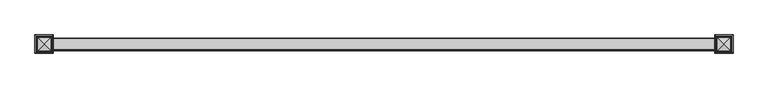
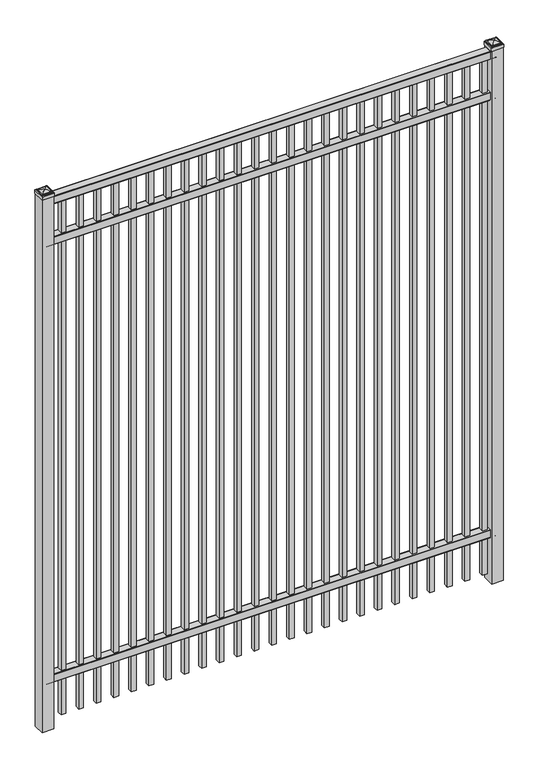
"""IFC4 building model written with IfcOpenShell, lengths in millimetres: railing geometry."""

from ifc_helpers import new_model, si_unit, point, frame, frame_2d, origin, origin_with_axes, place, context, project, spatial, polyline, circle_curve, ellipse_curve, trimmed, segment, composite_curve, outline, extrude, source, transform, mapped, element, save
from ifc_brep_helpers import plane_surface, cylinder_surface, advanced_brep


def railing_28603623(model_context):
    return source(origin(), model_context, "Body", "SolidModel", [
        extrude(outline(composite_curve([segment(polyline([(4253.9139761, 304.8), (4291.969541, 304.8)]), True, "CONTINUOUS"), segment(trimmed(circle_curve(frame_2d((4291.969541, 301.625)), 3.175), [point((4291.969541, 304.8))], [point((4295.144541, 301.625))], False, "CARTESIAN"), True, "CONTINUOUS"), segment(polyline([(4295.144541, 301.625), (4295.144541, 262.1439893)]), True, "CONTINUOUS"), segment(trimmed(circle_curve(frame_2d((4293.3505518, 262.1439893)), 1.7939893), [point((4295.144541, 262.1439893))], [point((4293.3505518, 260.35))], False, "CARTESIAN"), True, "CONTINUOUS"), segment(polyline([(4293.3505518, 260.35), (4290.7590713, 260.35)]), True, "CONTINUOUS"), segment(trimmed(circle_curve(frame_2d((4290.7590713, 262.1359375)), 1.7859375), [point((4290.7590713, 260.35))], [point((4288.9755813, 262.0424688))], False, "CARTESIAN"), True, "CONTINUOUS"), segment(polyline([(4288.9755813, 262.0424688), (4287.4025867, 292.0569942), (4258.4364954, 292.0569942), (4256.8635007, 262.0424688)]), True, "CONTINUOUS"), segment(trimmed(circle_curve(frame_2d((4255.0800108, 262.1359375)), 1.7859375), [point((4256.8635007, 262.0424688))], [point((4255.0800108, 260.35))], False, "CARTESIAN"), True, "CONTINUOUS"), segment(polyline([(4255.0800108, 260.35), (4252.4804785, 260.35)]), True, "CONTINUOUS"), segment(trimmed(circle_curve(frame_2d((4252.4804785, 262.1359375)), 1.7859375), [point((4252.4804785, 260.35))], [point((4250.694541, 262.1359375))], False, "CARTESIAN"), True, "CONTINUOUS"), segment(polyline([(4250.694541, 262.1359375), (4250.694541, 301.5805649)]), True, "CONTINUOUS"), segment(trimmed(circle_curve(frame_2d((4253.9139761, 301.5805649)), 3.2194351), [point((4250.694541, 301.5805649))], [point((4253.9139761, 304.8))], False, "CARTESIAN"), True, "CONTINUOUS")], self_intersect=False)), frame((-10765.0649936, 0.0, 0.0), z_axis=(1.0, 0.0, 0.0), x_axis=(0.0, 1.0, 0.0)), (0.0, 0.0, 1.0), 2438.4),
        extrude(outline(composite_curve([segment(polyline([(4253.9139761, 2814.6375), (4291.969541, 2814.6375)]), True, "CONTINUOUS"), segment(trimmed(circle_curve(frame_2d((4291.969541, 2811.4625)), 3.175), [point((4291.969541, 2814.6375))], [point((4295.144541, 2811.4625))], False, "CARTESIAN"), True, "CONTINUOUS"), segment(polyline([(4295.144541, 2811.4625), (4295.144541, 2771.9814893)]), True, "CONTINUOUS"), segment(trimmed(circle_curve(frame_2d((4293.3505518, 2771.9814893)), 1.7939893), [point((4295.144541, 2771.9814893))], [point((4293.3505518, 2770.1875))], False, "CARTESIAN"), True, "CONTINUOUS"), segment(polyline([(4293.3505518, 2770.1875), (4290.7590713, 2770.1875)]), True, "CONTINUOUS"), segment(trimmed(circle_curve(frame_2d((4290.7590713, 2771.9734375)), 1.7859375), [point((4290.7590713, 2770.1875))], [point((4288.9755813, 2771.8799688))], False, "CARTESIAN"), True, "CONTINUOUS"), segment(polyline([(4288.9755813, 2771.8799688), (4287.4025867, 2801.8944942), (4258.4364954, 2801.8944942), (4256.8635007, 2771.8799688)]), True, "CONTINUOUS"), segment(trimmed(circle_curve(frame_2d((4255.0800108, 2771.9734375)), 1.7859375), [point((4256.8635007, 2771.8799688))], [point((4255.0800108, 2770.1875))], False, "CARTESIAN"), True, "CONTINUOUS"), segment(polyline([(4255.0800108, 2770.1875), (4252.4804785, 2770.1875)]), True, "CONTINUOUS"), segment(trimmed(circle_curve(frame_2d((4252.4804785, 2771.9734375)), 1.7859375), [point((4252.4804785, 2770.1875))], [point((4250.694541, 2771.9734375))], False, "CARTESIAN"), True, "CONTINUOUS"), segment(polyline([(4250.694541, 2771.9734375), (4250.694541, 2811.4180649)]), True, "CONTINUOUS"), segment(trimmed(circle_curve(frame_2d((4253.9139761, 2811.4180649)), 3.2194351), [point((4250.694541, 2811.4180649))], [point((4253.9139761, 2814.6375))], False, "CARTESIAN"), True, "CONTINUOUS")], self_intersect=False)), frame((-10765.0649936, 0.0, 0.0), z_axis=(1.0, 0.0, 0.0), x_axis=(0.0, 1.0, 0.0)), (0.0, 0.0, 1.0), 2438.4),
        extrude(outline(composite_curve([segment(polyline([(4253.9139761, 3048.0), (4291.969541, 3048.0)]), True, "CONTINUOUS"), segment(trimmed(circle_curve(frame_2d((4291.969541, 3044.825)), 3.175), [point((4291.969541, 3048.0))], [point((4295.144541, 3044.825))], False, "CARTESIAN"), True, "CONTINUOUS"), segment(polyline([(4295.144541, 3044.825), (4295.144541, 3005.3439893)]), True, "CONTINUOUS"), segment(trimmed(circle_curve(frame_2d((4293.3505518, 3005.3439893)), 1.7939893), [point((4295.144541, 3005.3439893))], [point((4293.3505518, 3003.55))], False, "CARTESIAN"), True, "CONTINUOUS"), segment(polyline([(4293.3505518, 3003.55), (4290.7590713, 3003.55)]), True, "CONTINUOUS"), segment(trimmed(circle_curve(frame_2d((4290.7590713, 3005.3359375)), 1.7859375), [point((4290.7590713, 3003.55))], [point((4288.9755813, 3005.2424688))], False, "CARTESIAN"), True, "CONTINUOUS"), segment(polyline([(4288.9755813, 3005.2424688), (4287.4025867, 3035.2569942), (4258.4364954, 3035.2569942), (4256.8635007, 3005.2424688)]), True, "CONTINUOUS"), segment(trimmed(circle_curve(frame_2d((4255.0800108, 3005.3359375)), 1.7859375), [point((4256.8635007, 3005.2424688))], [point((4255.0800108, 3003.55))], False, "CARTESIAN"), True, "CONTINUOUS"), segment(polyline([(4255.0800108, 3003.55), (4252.4804785, 3003.55)]), True, "CONTINUOUS"), segment(trimmed(circle_curve(frame_2d((4252.4804785, 3005.3359375)), 1.7859375), [point((4252.4804785, 3003.55))], [point((4250.694541, 3005.3359375))], False, "CARTESIAN"), True, "CONTINUOUS"), segment(polyline([(4250.694541, 3005.3359375), (4250.694541, 3044.7805649)]), True, "CONTINUOUS"), segment(trimmed(circle_curve(frame_2d((4253.9139761, 3044.7805649)), 3.2194351), [point((4250.694541, 3044.7805649))], [point((4253.9139761, 3048.0))], False, "CARTESIAN"), True, "CONTINUOUS")], self_intersect=False)), frame((-10765.0649936, 0.0, 0.0), z_axis=(1.0, 0.0, 0.0), x_axis=(0.0, 1.0, 0.0)), (0.0, 0.0, 1.0), 2438.4),
        extrude(outline(polyline([(0.0, -2952.75), (0.0, 0.0), (25.4, 0.0), (25.4, -2952.75), (0.0, -2952.75)])), frame((-8371.1149864, 4285.619541, 3003.55), z_axis=(-1.0, 0.0, 1.4053472163766405e-09), x_axis=(0.0, -1.0, 0.0)), (0.0, 0.0, 1.0), 25.4),
        extrude(outline(polyline([(0.0, -2952.75), (0.0, 0.0), (25.4, 0.0), (25.4, -2952.75), (0.0, -2952.75)])), frame((-8466.3649864, 4285.619541, 3003.55), z_axis=(-1.0, 0.0, 1.4053472163766405e-09), x_axis=(0.0, -1.0, 0.0)), (0.0, 0.0, 1.0), 25.4),
        extrude(outline(polyline([(0.0, -2952.75), (0.0, 0.0), (25.4, 0.0), (25.4, -2952.75), (0.0, -2952.75)])), frame((-8561.6149864, 4285.619541, 3003.55), z_axis=(-1.0, 0.0, 1.4053472163766405e-09), x_axis=(0.0, -1.0, 0.0)), (0.0, 0.0, 1.0), 25.4),
        extrude(outline(polyline([(0.0, -2952.75), (0.0, 0.0), (25.4, 0.0), (25.4, -2952.75), (0.0, -2952.75)])), frame((-8656.8649864, 4285.619541, 3003.55), z_axis=(-1.0, 0.0, 1.4053472163766405e-09), x_axis=(0.0, -1.0, 0.0)), (0.0, 0.0, 1.0), 25.4),
        extrude(outline(polyline([(0.0, -2952.75), (0.0, 0.0), (25.4, 0.0), (25.4, -2952.75), (0.0, -2952.75)])), frame((-8752.1149864, 4285.619541, 3003.55), z_axis=(-1.0, 0.0, 1.4053472163766405e-09), x_axis=(0.0, -1.0, 0.0)), (0.0, 0.0, 1.0), 25.4),
        extrude(outline(polyline([(0.0, -2952.75), (0.0, 0.0), (25.4, 0.0), (25.4, -2952.75), (0.0, -2952.75)])), frame((-8847.3649864, 4285.619541, 3003.55), z_axis=(-1.0, 0.0, 1.4053472163766405e-09), x_axis=(0.0, -1.0, 0.0)), (0.0, 0.0, 1.0), 25.4),
        extrude(outline(polyline([(0.0, -2952.75), (0.0, 0.0), (25.4, 0.0), (25.4, -2952.75), (0.0, -2952.75)])), frame((-8942.6149864, 4285.619541, 3003.55), z_axis=(-1.0, 0.0, 1.4053472163766405e-09), x_axis=(0.0, -1.0, 0.0)), (0.0, 0.0, 1.0), 25.4),
        extrude(outline(polyline([(0.0, -2952.75), (0.0, 0.0), (25.4, 0.0), (25.4, -2952.75), (0.0, -2952.75)])), frame((-9037.8649864, 4285.619541, 3003.55), z_axis=(-1.0, 0.0, 1.4053472163766405e-09), x_axis=(0.0, -1.0, 0.0)), (0.0, 0.0, 1.0), 25.4),
        extrude(outline(polyline([(0.0, -2952.75), (0.0, 0.0), (25.4, 0.0), (25.4, -2952.75), (0.0, -2952.75)])), frame((-9133.1149864, 4285.619541, 3003.55), z_axis=(-1.0, 0.0, 1.4053472163766405e-09), x_axis=(0.0, -1.0, 0.0)), (0.0, 0.0, 1.0), 25.4),
        extrude(outline(polyline([(0.0, -2952.75), (0.0, 0.0), (25.4, 0.0), (25.4, -2952.75), (0.0, -2952.75)])), frame((-9228.3649864, 4285.619541, 3003.55), z_axis=(-1.0, 0.0, 1.4053472163766405e-09), x_axis=(0.0, -1.0, 0.0)), (0.0, 0.0, 1.0), 25.4),
        extrude(outline(polyline([(0.0, -2952.75), (0.0, 0.0), (25.4, 0.0), (25.4, -2952.75), (0.0, -2952.75)])), frame((-9323.6149864, 4285.619541, 3003.55), z_axis=(-1.0, 0.0, 1.4053472163766405e-09), x_axis=(0.0, -1.0, 0.0)), (0.0, 0.0, 1.0), 25.4),
        extrude(outline(polyline([(0.0, -2952.75), (0.0, 0.0), (25.4, 0.0), (25.4, -2952.75), (0.0, -2952.75)])), frame((-9418.8649864, 4285.619541, 3003.55), z_axis=(-1.0, 0.0, 1.4053472163766405e-09), x_axis=(0.0, -1.0, 0.0)), (0.0, 0.0, 1.0), 25.4),
        extrude(outline(polyline([(0.0, -2952.75), (0.0, 0.0), (25.4, 0.0), (25.4, -2952.75), (0.0, -2952.75)])), frame((-9514.1149864, 4285.619541, 3003.55), z_axis=(-1.0, 0.0, 1.4053472163766405e-09), x_axis=(0.0, -1.0, 0.0)), (0.0, 0.0, 1.0), 25.4),
        extrude(outline(polyline([(0.0, -2952.75), (0.0, 0.0), (25.4, 0.0), (25.4, -2952.75), (0.0, -2952.75)])), frame((-9609.3649864, 4285.619541, 3003.55), z_axis=(-1.0, 0.0, 1.4053472163766405e-09), x_axis=(0.0, -1.0, 0.0)), (0.0, 0.0, 1.0), 25.4),
        extrude(outline(polyline([(0.0, -2952.75), (0.0, 0.0), (25.4, 0.0), (25.4, -2952.75), (0.0, -2952.75)])), frame((-9704.6149864, 4285.619541, 3003.55), z_axis=(-1.0, 0.0, 1.4053472163766405e-09), x_axis=(0.0, -1.0, 0.0)), (0.0, 0.0, 1.0), 25.4),
        extrude(outline(polyline([(0.0, -2952.75), (0.0, 0.0), (25.4, 0.0), (25.4, -2952.75), (0.0, -2952.75)])), frame((-9799.8649864, 4285.619541, 3003.55), z_axis=(-1.0, 0.0, 1.4053472163766405e-09), x_axis=(0.0, -1.0, 0.0)), (0.0, 0.0, 1.0), 25.4),
        extrude(outline(polyline([(0.0, -2952.75), (0.0, 0.0), (25.4, 0.0), (25.4, -2952.75), (0.0, -2952.75)])), frame((-9895.1149864, 4285.619541, 3003.55), z_axis=(-1.0, 0.0, 1.4053472163766405e-09), x_axis=(0.0, -1.0, 0.0)), (0.0, 0.0, 1.0), 25.4),
        extrude(outline(polyline([(0.0, -2952.75), (0.0, 0.0), (25.4, 0.0), (25.4, -2952.75), (0.0, -2952.75)])), frame((-9990.3649864, 4285.619541, 3003.55), z_axis=(-1.0, 0.0, 1.4053472163766405e-09), x_axis=(0.0, -1.0, 0.0)), (0.0, 0.0, 1.0), 25.4),
        extrude(outline(polyline([(0.0, -2952.75), (0.0, 0.0), (25.4, 0.0), (25.4, -2952.75), (0.0, -2952.75)])), frame((-10085.6149864, 4285.619541, 3003.55), z_axis=(-1.0, 0.0, 1.4053472163766405e-09), x_axis=(0.0, -1.0, 0.0)), (0.0, 0.0, 1.0), 25.4),
        extrude(outline(polyline([(0.0, -2952.75), (0.0, 0.0), (25.4, 0.0), (25.4, -2952.75), (0.0, -2952.75)])), frame((-10180.8649864, 4285.619541, 3003.55), z_axis=(-1.0, 0.0, 1.4053472163766405e-09), x_axis=(0.0, -1.0, 0.0)), (0.0, 0.0, 1.0), 25.4),
        extrude(outline(polyline([(0.0, -2952.75), (0.0, 0.0), (25.4, 0.0), (25.4, -2952.75), (0.0, -2952.75)])), frame((-10276.1149864, 4285.619541, 3003.55), z_axis=(-1.0, 0.0, 1.4053472163766405e-09), x_axis=(0.0, -1.0, 0.0)), (0.0, 0.0, 1.0), 25.4),
        extrude(outline(polyline([(0.0, -2952.75), (0.0, 0.0), (25.4, 0.0), (25.4, -2952.75), (0.0, -2952.75)])), frame((-10371.3649864, 4285.619541, 3003.55), z_axis=(-1.0, 0.0, 1.4053472163766405e-09), x_axis=(0.0, -1.0, 0.0)), (0.0, 0.0, 1.0), 25.4),
        extrude(outline(polyline([(0.0, -2952.75), (0.0, 0.0), (25.4, 0.0), (25.4, -2952.75), (0.0, -2952.75)])), frame((-10466.6149864, 4285.619541, 3003.55), z_axis=(-1.0, 0.0, 1.4053472163766405e-09), x_axis=(0.0, -1.0, 0.0)), (0.0, 0.0, 1.0), 25.4),
        extrude(outline(polyline([(0.0, -2952.75), (0.0, 0.0), (25.4, 0.0), (25.4, -2952.75), (0.0, -2952.75)])), frame((-10561.8649864, 4285.619541, 3003.55), z_axis=(-1.0, 0.0, 1.4053472163766405e-09), x_axis=(0.0, -1.0, 0.0)), (0.0, 0.0, 1.0), 25.4),
        extrude(outline(polyline([(0.0, -2952.75), (0.0, 0.0), (25.4, 0.0), (25.4, -2952.75), (0.0, -2952.75)])), frame((-10657.1149864, 4285.619541, 3003.55), z_axis=(-1.0, 0.0, 1.4053472163766405e-09), x_axis=(0.0, -1.0, 0.0)), (0.0, 0.0, 1.0), 25.4),
        extrude(outline(polyline([(-8294.9149936, 4304.669541), (-8294.9149936, 4241.169541), (-8358.4149936, 4241.169541), (-8358.4149936, 4304.669541), (-8294.9149936, 4304.669541)])), origin_with_axes(), (0.0, 0.0, 1.0), 3055.9375),
        advanced_brep(
        [(-8360.0024936, 4306.257041, 3074.19375), (-8360.0024936, 4306.257041, 3055.9375), (-8360.0024936, 4239.582041, 3055.9375), (-8360.0024936, 4239.582041, 3074.19375), (-8357.6212436, 4303.875791, 3076.575), (-8357.6212436, 4241.963291, 3076.575), (-8355.2399936, 4301.494541, 3078.95625), (-8355.2399936, 4301.494541, 3076.575), (-8355.2399936, 4244.344541, 3076.575), (-8355.2399936, 4244.344541, 3078.95625), (-8352.8587436, 4299.113291, 3081.3375), (-8352.8587436, 4246.725791, 3081.3375), (-8326.6649936, 4272.919541, 3087.6875), (-8350.4774936, 4296.732041, 3081.3375), (-8350.4774936, 4249.107041, 3081.3375), (-8293.3274936, 4239.582041, 3055.9375), (-8293.3274936, 4239.582041, 3074.19375), (-8295.7087436, 4241.963291, 3076.575), (-8298.0899936, 4244.344541, 3076.575), (-8298.0899936, 4244.344541, 3078.95625), (-8300.4712436, 4246.725791, 3081.3375), (-8302.8524936, 4249.107041, 3081.3375), (-8293.3274936, 4306.257041, 3055.9375), (-8293.3274936, 4306.257041, 3074.19375), (-8295.7087436, 4303.875791, 3076.575), (-8298.0899936, 4301.494541, 3076.575), (-8298.0899936, 4301.494541, 3078.95625), (-8300.4712436, 4299.113291, 3081.3375), (-8302.8524936, 4296.732041, 3081.3375)],
        [
            (0, 1),
            (1, 2),
            (2, 3),
            (3, 0),
            (4, 0, ellipse_curve(frame((-8357.6212436, 4303.875791, 3074.19375), z_axis=(-0.70710678118655, -0.7071067811865449, 0.0), x_axis=(-0.7071067811865448, 0.7071067811865501, 0.0)), 3.367596, 2.38125)),
            (3, 5, ellipse_curve(frame((-8357.6212436, 4241.963291, 3074.19375), z_axis=(-0.7071067811865449, 0.70710678118655, 0.0), x_axis=(0.7071067811865499, 0.707106781186545, 0.0)), 3.367596, 2.38125)),
            (5, 4),
            (6, 7),
            (7, 8),
            (8, 9),
            (9, 6),
            (10, 6, ellipse_curve(frame((-8352.8587436, 4299.113291, 3078.95625), z_axis=(-0.70710678118655, -0.7071067811865449, 0.0), x_axis=(-0.7071067811865448, 0.7071067811865501, 0.0)), 3.367596, 2.38125)),
            (9, 11, ellipse_curve(frame((-8352.8587436, 4246.725791, 3078.95625), z_axis=(-0.7071067811865449, 0.70710678118655, 0.0), x_axis=(0.7071067811865499, 0.707106781186545, 0.0)), 3.367596, 2.38125)),
            (11, 10),
            (12, 13, ellipse_curve(frame((-8326.6649936, 4272.919541, 3039.8640625), z_axis=(-0.70710678118655, -0.7071067811865449, 0.0), x_axis=(-0.7071067811865448, 0.7071067811865501, 0.0)), 67.6325539, 47.8234375)),
            (13, 14),
            (14, 12, ellipse_curve(frame((-8326.6649936, 4272.919541, 3039.8640625), z_axis=(-0.7071067811865449, 0.70710678118655, 0.0), x_axis=(0.7071067811865499, 0.707106781186545, 0.0)), 67.6325539, 47.8234375)),
            (2, 15),
            (15, 16),
            (16, 3),
            (16, 17, ellipse_curve(frame((-8295.7087436, 4241.963291, 3074.19375), z_axis=(-0.70710678118655, -0.707106781186545, 0.0), x_axis=(-0.707106781186545, 0.70710678118655, 0.0)), 3.367596, 2.38125)),
            (17, 5),
            (8, 18),
            (18, 19),
            (19, 9),
            (19, 20, ellipse_curve(frame((-8300.4712436, 4246.725791, 3078.95625), z_axis=(-0.70710678118655, -0.707106781186545, 0.0), x_axis=(-0.707106781186545, 0.70710678118655, 0.0)), 3.367596, 2.38125)),
            (20, 11),
            (14, 21),
            (21, 12, ellipse_curve(frame((-8326.6649936, 4272.919541, 3039.8640625), z_axis=(-0.70710678118655, -0.707106781186545, 0.0), x_axis=(-0.707106781186545, 0.70710678118655, 0.0)), 67.6325539, 47.8234375)),
            (15, 22),
            (22, 23),
            (23, 16),
            (23, 24, ellipse_curve(frame((-8295.7087436, 4303.875791, 3074.19375), z_axis=(0.707106781186545, -0.7071067811865499, 0.0), x_axis=(-0.7071067811865497, -0.7071067811865452, 0.0)), 3.367596, 2.38125)),
            (24, 17),
            (18, 25),
            (25, 26),
            (26, 19),
            (26, 27, ellipse_curve(frame((-8300.4712436, 4299.113291, 3078.95625), z_axis=(0.707106781186545, -0.7071067811865499, 0.0), x_axis=(-0.7071067811865497, -0.7071067811865452, 0.0)), 3.367596, 2.38125)),
            (27, 20),
            (21, 28),
            (28, 12, ellipse_curve(frame((-8326.6649936, 4272.919541, 3039.8640625), z_axis=(0.707106781186545, -0.7071067811865499, 0.0), x_axis=(-0.7071067811865497, -0.7071067811865452, 0.0)), 67.6325539, 47.8234375)),
            (22, 1),
            (0, 23),
            (4, 24),
            (7, 25),
            (6, 26),
            (10, 27),
            (13, 28),
        ],
        [
            plane_surface(frame((-8360.0024936, 4306.257041, 3055.9375), z_axis=(-1.0, 0.0, 0.0), x_axis=(0.0, -1.0, 0.0))),
            cylinder_surface(frame((-8357.6212436, 4304.669541, 3074.19375), z_axis=(0.0, 1.0, 0.0), x_axis=(1.0, 0.0, 0.0)), 2.38125),
            plane_surface(frame((-8355.2399936, 4301.494541, 3076.575), z_axis=(-1.0, 0.0, 0.0), x_axis=(0.0, -1.0, 0.0))),
            cylinder_surface(frame((-8352.8587436, 4304.669541, 3078.95625), z_axis=(0.0, 1.0, 0.0), x_axis=(1.0, 0.0, 0.0)), 2.38125),
            cylinder_surface(frame((-8326.6649936, 4304.669541, 3039.8640625), z_axis=(0.0, 1.0, 0.0), x_axis=(1.0, 0.0, 0.0)), 47.8234375),
            plane_surface(frame((-8360.0024936, 4239.582041, 3055.9375), z_axis=(0.0, -1.0, 0.0), x_axis=(1.0, 0.0, 0.0))),
            cylinder_surface(frame((-8358.4149936, 4241.963291, 3074.19375), z_axis=(-1.0, 0.0, 0.0), x_axis=(0.0, 1.0, 0.0)), 2.38125),
            plane_surface(frame((-8355.2399936, 4244.344541, 3076.575), z_axis=(0.0, -1.0, 0.0), x_axis=(1.0, 0.0, 0.0))),
            cylinder_surface(frame((-8358.4149936, 4246.725791, 3078.95625), z_axis=(-1.0, 0.0, 0.0), x_axis=(0.0, 1.0, 0.0)), 2.38125),
            cylinder_surface(frame((-8358.4149936, 4272.919541, 3039.8640625), z_axis=(-1.0, 0.0, 0.0), x_axis=(0.0, 1.0, 0.0)), 47.8234375),
            plane_surface(frame((-8293.3274936, 4239.582041, 3055.9375), z_axis=(1.0, 0.0, 0.0), x_axis=(0.0, 1.0, 0.0))),
            cylinder_surface(frame((-8295.7087436, 4241.169541, 3074.19375), z_axis=(0.0, -1.0, 0.0), x_axis=(-1.0, 0.0, 0.0)), 2.38125),
            plane_surface(frame((-8298.0899936, 4244.344541, 3076.575), z_axis=(1.0, 0.0, 0.0), x_axis=(0.0, 1.0, 0.0))),
            cylinder_surface(frame((-8300.4712436, 4241.169541, 3078.95625), z_axis=(0.0, -1.0, 0.0), x_axis=(-1.0, 0.0, 0.0)), 2.38125),
            cylinder_surface(frame((-8326.6649936, 4241.169541, 3039.8640625), z_axis=(0.0, -1.0, 0.0), x_axis=(-1.0, 0.0, 0.0)), 47.8234375),
            plane_surface(frame((-8293.3274936, 4306.257041, 3055.9375), z_axis=(0.0, 1.0, 0.0), x_axis=(-1.0, 0.0, 0.0))),
            cylinder_surface(frame((-8294.9149936, 4303.875791, 3074.19375), z_axis=(1.0, 0.0, 0.0), x_axis=(0.0, -1.0, 0.0)), 2.38125),
            plane_surface(frame((-8295.7087436, 4303.875791, 3076.575), z_axis=(0.0, 0.0, 1.0), x_axis=(-1.0, 0.0, 0.0))),
            plane_surface(frame((-8298.0899936, 4301.494541, 3076.575), z_axis=(0.0, 1.0, 0.0), x_axis=(-1.0, 0.0, 0.0))),
            cylinder_surface(frame((-8294.9149936, 4299.113291, 3078.95625), z_axis=(1.0, 0.0, 0.0), x_axis=(0.0, -1.0, 0.0)), 2.38125),
            plane_surface(frame((-8300.4712436, 4299.113291, 3081.3375), z_axis=(0.0, 0.0, 1.0), x_axis=(-1.0, 0.0, 0.0))),
            cylinder_surface(frame((-8294.9149936, 4272.919541, 3039.8640625), z_axis=(1.0, 0.0, 0.0), x_axis=(0.0, -1.0, 0.0)), 47.8234375),
            plane_surface(frame((-8326.6649936, 4272.919541, 3055.9375), z_axis=(0.0, 0.0, -1.0), x_axis=(-1.0, 0.0, 0.0))),
        ],
        [
            (0, [[1, 2, 3, 4]]),
            (1, [[5, -4, 6, 7]]),
            (2, [[8, 9, 10, 11]]),
            (3, [[12, -11, 13, 14]]),
            (4, [[15, 16, 17]]),
            (5, [[-3, 18, 19, 20]]),
            (6, [[-6, -20, 21, 22]]),
            (7, [[-10, 23, 24, 25]]),
            (8, [[-13, -25, 26, 27]]),
            (9, [[-17, 28, 29]]),
            (10, [[-19, 30, 31, 32]]),
            (11, [[-21, -32, 33, 34]]),
            (12, [[-24, 35, 36, 37]]),
            (13, [[-26, -37, 38, 39]]),
            (14, [[-29, 40, 41]]),
            (15, [[-31, 42, -1, 43]]),
            (16, [[-33, -43, -5, 44]]),
            (17, [[-22, -34, -44, -7], [45, -35, -23, -9]]),
            (18, [[-36, -45, -8, 46]]),
            (19, [[-38, -46, -12, 47]]),
            (20, [[-27, -39, -47, -14], [48, -40, -28, -16]]),
            (21, [[-41, -48, -15]]),
            (22, [[-42, -30, -18, -2]]),
        ],
    ),
        extrude(outline(polyline([(-10733.3149936, 4304.669541), (-10733.3149936, 4241.169541), (-10796.8149936, 4241.169541), (-10796.8149936, 4304.669541), (-10733.3149936, 4304.669541)])), origin_with_axes(), (0.0, 0.0, 1.0), 3055.9375),
        advanced_brep(
        [(-10798.4024936, 4306.257041, 3074.19375), (-10798.4024936, 4306.257041, 3055.9375), (-10798.4024936, 4239.582041, 3055.9375), (-10798.4024936, 4239.582041, 3074.19375), (-10796.0212436, 4303.875791, 3076.575), (-10796.0212436, 4241.963291, 3076.575), (-10793.6399936, 4301.494541, 3078.95625), (-10793.6399936, 4301.494541, 3076.575), (-10793.6399936, 4244.344541, 3076.575), (-10793.6399936, 4244.344541, 3078.95625), (-10791.2587436, 4299.113291, 3081.3375), (-10791.2587436, 4246.725791, 3081.3375), (-10765.0649936, 4272.919541, 3087.6875), (-10788.8774936, 4296.732041, 3081.3375), (-10788.8774936, 4249.107041, 3081.3375), (-10731.7274936, 4239.582041, 3055.9375), (-10731.7274936, 4239.582041, 3074.19375), (-10734.1087436, 4241.963291, 3076.575), (-10736.4899936, 4244.344541, 3076.575), (-10736.4899936, 4244.344541, 3078.95625), (-10738.8712436, 4246.725791, 3081.3375), (-10741.2524936, 4249.107041, 3081.3375), (-10731.7274936, 4306.257041, 3055.9375), (-10731.7274936, 4306.257041, 3074.19375), (-10734.1087436, 4303.875791, 3076.575), (-10736.4899936, 4301.494541, 3076.575), (-10736.4899936, 4301.494541, 3078.95625), (-10738.8712436, 4299.113291, 3081.3375), (-10741.2524936, 4296.732041, 3081.3375)],
        [
            (0, 1),
            (1, 2),
            (2, 3),
            (3, 0),
            (4, 0, ellipse_curve(frame((-10796.0212436, 4303.875791, 3074.19375), z_axis=(-0.70710678118655, -0.7071067811865449, 0.0), x_axis=(-0.7071067811865448, 0.7071067811865501, 0.0)), 3.367596, 2.38125)),
            (3, 5, ellipse_curve(frame((-10796.0212436, 4241.963291, 3074.19375), z_axis=(-0.7071067811865449, 0.70710678118655, 0.0), x_axis=(0.7071067811865499, 0.707106781186545, 0.0)), 3.367596, 2.38125)),
            (5, 4),
            (6, 7),
            (7, 8),
            (8, 9),
            (9, 6),
            (10, 6, ellipse_curve(frame((-10791.2587436, 4299.113291, 3078.95625), z_axis=(-0.70710678118655, -0.7071067811865449, 0.0), x_axis=(-0.7071067811865448, 0.7071067811865501, 0.0)), 3.367596, 2.38125)),
            (9, 11, ellipse_curve(frame((-10791.2587436, 4246.725791, 3078.95625), z_axis=(-0.7071067811865449, 0.70710678118655, 0.0), x_axis=(0.7071067811865499, 0.707106781186545, 0.0)), 3.367596, 2.38125)),
            (11, 10),
            (12, 13, ellipse_curve(frame((-10765.0649936, 4272.919541, 3039.8640625), z_axis=(-0.70710678118655, -0.7071067811865449, 0.0), x_axis=(-0.7071067811865448, 0.7071067811865501, 0.0)), 67.6325539, 47.8234375)),
            (13, 14),
            (14, 12, ellipse_curve(frame((-10765.0649936, 4272.919541, 3039.8640625), z_axis=(-0.7071067811865449, 0.70710678118655, 0.0), x_axis=(0.7071067811865499, 0.707106781186545, 0.0)), 67.6325539, 47.8234375)),
            (2, 15),
            (15, 16),
            (16, 3),
            (16, 17, ellipse_curve(frame((-10734.1087436, 4241.963291, 3074.19375), z_axis=(-0.70710678118655, -0.707106781186545, 0.0), x_axis=(-0.707106781186545, 0.70710678118655, 0.0)), 3.367596, 2.38125)),
            (17, 5),
            (8, 18),
            (18, 19),
            (19, 9),
            (19, 20, ellipse_curve(frame((-10738.8712436, 4246.725791, 3078.95625), z_axis=(-0.70710678118655, -0.707106781186545, 0.0), x_axis=(-0.707106781186545, 0.70710678118655, 0.0)), 3.367596, 2.38125)),
            (20, 11),
            (14, 21),
            (21, 12, ellipse_curve(frame((-10765.0649936, 4272.919541, 3039.8640625), z_axis=(-0.70710678118655, -0.707106781186545, 0.0), x_axis=(-0.707106781186545, 0.70710678118655, 0.0)), 67.6325539, 47.8234375)),
            (15, 22),
            (22, 23),
            (23, 16),
            (23, 24, ellipse_curve(frame((-10734.1087436, 4303.875791, 3074.19375), z_axis=(0.707106781186545, -0.7071067811865499, 0.0), x_axis=(-0.7071067811865497, -0.7071067811865452, 0.0)), 3.367596, 2.38125)),
            (24, 17),
            (18, 25),
            (25, 26),
            (26, 19),
            (26, 27, ellipse_curve(frame((-10738.8712436, 4299.113291, 3078.95625), z_axis=(0.707106781186545, -0.7071067811865499, 0.0), x_axis=(-0.7071067811865497, -0.7071067811865452, 0.0)), 3.367596, 2.38125)),
            (27, 20),
            (21, 28),
            (28, 12, ellipse_curve(frame((-10765.0649936, 4272.919541, 3039.8640625), z_axis=(0.707106781186545, -0.7071067811865499, 0.0), x_axis=(-0.7071067811865497, -0.7071067811865452, 0.0)), 67.6325539, 47.8234375)),
            (22, 1),
            (0, 23),
            (4, 24),
            (7, 25),
            (6, 26),
            (10, 27),
            (13, 28),
        ],
        [
            plane_surface(frame((-10798.4024936, 4306.257041, 3055.9375), z_axis=(-1.0, 0.0, 0.0), x_axis=(0.0, -1.0, 0.0))),
            cylinder_surface(frame((-10796.0212436, 4304.669541, 3074.19375), z_axis=(0.0, 1.0, 0.0), x_axis=(1.0, 0.0, 0.0)), 2.38125),
            plane_surface(frame((-10793.6399936, 4301.494541, 3076.575), z_axis=(-1.0, 0.0, 0.0), x_axis=(0.0, -1.0, 0.0))),
            cylinder_surface(frame((-10791.2587436, 4304.669541, 3078.95625), z_axis=(0.0, 1.0, 0.0), x_axis=(1.0, 0.0, 0.0)), 2.38125),
            cylinder_surface(frame((-10765.0649936, 4304.669541, 3039.8640625), z_axis=(0.0, 1.0, 0.0), x_axis=(1.0, 0.0, 0.0)), 47.8234375),
            plane_surface(frame((-10798.4024936, 4239.582041, 3055.9375), z_axis=(0.0, -1.0, 0.0), x_axis=(1.0, 0.0, 0.0))),
            cylinder_surface(frame((-10796.8149936, 4241.963291, 3074.19375), z_axis=(-1.0, 0.0, 0.0), x_axis=(0.0, 1.0, 0.0)), 2.38125),
            plane_surface(frame((-10793.6399936, 4244.344541, 3076.575), z_axis=(0.0, -1.0, 0.0), x_axis=(1.0, 0.0, 0.0))),
            cylinder_surface(frame((-10796.8149936, 4246.725791, 3078.95625), z_axis=(-1.0, 0.0, 0.0), x_axis=(0.0, 1.0, 0.0)), 2.38125),
            cylinder_surface(frame((-10796.8149936, 4272.919541, 3039.8640625), z_axis=(-1.0, 0.0, 0.0), x_axis=(0.0, 1.0, 0.0)), 47.8234375),
            plane_surface(frame((-10731.7274936, 4239.582041, 3055.9375), z_axis=(1.0, 0.0, 0.0), x_axis=(0.0, 1.0, 0.0))),
            cylinder_surface(frame((-10734.1087436, 4241.169541, 3074.19375), z_axis=(0.0, -1.0, 0.0), x_axis=(-1.0, 0.0, 0.0)), 2.38125),
            plane_surface(frame((-10736.4899936, 4244.344541, 3076.575), z_axis=(1.0, 0.0, 0.0), x_axis=(0.0, 1.0, 0.0))),
            cylinder_surface(frame((-10738.8712436, 4241.169541, 3078.95625), z_axis=(0.0, -1.0, 0.0), x_axis=(-1.0, 0.0, 0.0)), 2.38125),
            cylinder_surface(frame((-10765.0649936, 4241.169541, 3039.8640625), z_axis=(0.0, -1.0, 0.0), x_axis=(-1.0, 0.0, 0.0)), 47.8234375),
            plane_surface(frame((-10731.7274936, 4306.257041, 3055.9375), z_axis=(0.0, 1.0, 0.0), x_axis=(-1.0, 0.0, 0.0))),
            cylinder_surface(frame((-10733.3149936, 4303.875791, 3074.19375), z_axis=(1.0, 0.0, 0.0), x_axis=(0.0, -1.0, 0.0)), 2.38125),
            plane_surface(frame((-10734.1087436, 4303.875791, 3076.575), z_axis=(0.0, 0.0, 1.0), x_axis=(-1.0, 0.0, 0.0))),
            plane_surface(frame((-10736.4899936, 4301.494541, 3076.575), z_axis=(0.0, 1.0, 0.0), x_axis=(-1.0, 0.0, 0.0))),
            cylinder_surface(frame((-10733.3149936, 4299.113291, 3078.95625), z_axis=(1.0, 0.0, 0.0), x_axis=(0.0, -1.0, 0.0)), 2.38125),
            plane_surface(frame((-10738.8712436, 4299.113291, 3081.3375), z_axis=(0.0, 0.0, 1.0), x_axis=(-1.0, 0.0, 0.0))),
            cylinder_surface(frame((-10733.3149936, 4272.919541, 3039.8640625), z_axis=(1.0, 0.0, 0.0), x_axis=(0.0, -1.0, 0.0)), 47.8234375),
            plane_surface(frame((-10765.0649936, 4272.919541, 3055.9375), z_axis=(0.0, 0.0, -1.0), x_axis=(-1.0, 0.0, 0.0))),
        ],
        [
            (0, [[1, 2, 3, 4]]),
            (1, [[5, -4, 6, 7]]),
            (2, [[8, 9, 10, 11]]),
            (3, [[12, -11, 13, 14]]),
            (4, [[15, 16, 17]]),
            (5, [[-3, 18, 19, 20]]),
            (6, [[-6, -20, 21, 22]]),
            (7, [[-10, 23, 24, 25]]),
            (8, [[-13, -25, 26, 27]]),
            (9, [[-17, 28, 29]]),
            (10, [[-19, 30, 31, 32]]),
            (11, [[-21, -32, 33, 34]]),
            (12, [[-24, 35, 36, 37]]),
            (13, [[-26, -37, 38, 39]]),
            (14, [[-29, 40, 41]]),
            (15, [[-31, 42, -1, 43]]),
            (16, [[-33, -43, -5, 44]]),
            (17, [[-22, -34, -44, -7], [45, -35, -23, -9]]),
            (18, [[-36, -45, -8, 46]]),
            (19, [[-38, -46, -12, 47]]),
            (20, [[-27, -39, -47, -14], [48, -40, -28, -16]]),
            (21, [[-41, -48, -15]]),
            (22, [[-42, -30, -18, -2]]),
        ],
    ),
    ])


if __name__ == "__main__":
    model = new_model("IFC4")
    model_context = context("Model", 3, world=origin())
    ifc_project = project(units=[si_unit("LENGTHUNIT", "METRE", prefix="MILLI")], contexts=[model_context])
    site = spatial("IfcSite", under=ifc_project)
    building = spatial("IfcBuilding", under=site)
    placement = place(None, origin())
    railing_shape = railing_28603623(model_context)
    element("IfcRailing", 1, at=placement, inside=building, context=model_context, shape_type="MappedRepresentation", body=[
        mapped(railing_shape, transform((0.0, 0.0, 0.0), x_axis=(1.0, 0.0, 0.0), y_axis=(0.0, 1.0, 0.0), z_axis=(0.0, 0.0, 1.0))),
    ])
    save(model, "model.ifc")
